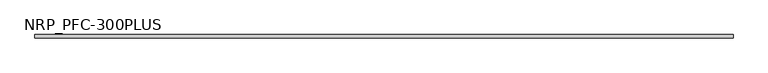
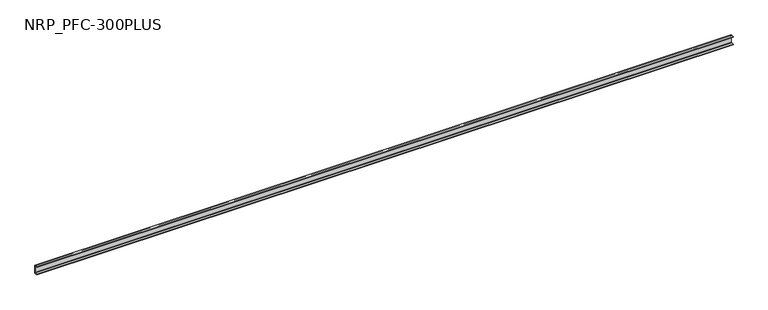
"""IFC4 building model written with IfcOpenShell, lengths in millimetres: beam geometry, NRP_PFC-300PLUS."""

from ifc_helpers import new_model, si_unit, point, frame, frame_2d, origin, place, context, project, spatial, polyline, circle_curve, trimmed, segment, composite_curve, outline, extrude, source, transform, mapped, element, save


def nrp_pfc_300plus_b0e52e43(model_context):
    return source(origin(), model_context, "Body", "SweptSolid", [
        extrude(outline(composite_curve([segment(polyline([(24.4, 100.0), (24.4, -100.0), (-50.6, -100.0), (-50.6, -88.0), (6.4, -88.0)]), True, "CONTINUOUS"), segment(trimmed(circle_curve(frame_2d((6.4, -76.0)), 12.0), [point((6.4, -88.0))], [point((18.4, -76.0))], True, "CARTESIAN"), True, "CONTINUOUS"), segment(polyline([(18.4, -76.0), (18.4, 76.0)]), True, "CONTINUOUS"), segment(trimmed(circle_curve(frame_2d((6.4, 76.0)), 12.0), [point((18.4, 76.0))], [point((6.4, 88.0))], True, "CARTESIAN"), True, "CONTINUOUS"), segment(polyline([(6.4, 88.0), (-50.6, 88.0), (-50.6, 100.0), (24.4, 100.0)]), True, "CONTINUOUS")], self_intersect=False)), frame((-8198.0, 0.0, 0.0), z_axis=(1.0, 0.0, 0.0), x_axis=(0.0, 1.0, 0.0)), (0.0, 0.0, 1.0), 16402.0),
    ])


if __name__ == "__main__":
    model = new_model("IFC4")
    model_context = context("Model", 3, world=origin())
    ifc_project = project(units=[si_unit("LENGTHUNIT", "METRE", prefix="MILLI")], contexts=[model_context])
    site = spatial("IfcSite", under=ifc_project)
    building = spatial("IfcBuilding", under=site)
    placement = place(None, origin())
    nrp_pfc_300plus_shape = nrp_pfc_300plus_b0e52e43(model_context)
    element("IfcBeam", 1, ObjectType="NRP_PFC-300PLUS", at=placement, inside=building, context=model_context, shape_type="MappedRepresentation", body=[
        mapped(nrp_pfc_300plus_shape, transform((0.0, 0.0, 0.0), x_axis=(1.0, 0.0, 0.0), y_axis=(0.0, 1.0, 0.0), z_axis=(0.0, 0.0, 1.0))),
    ])
    save(model, "model.ifc")
